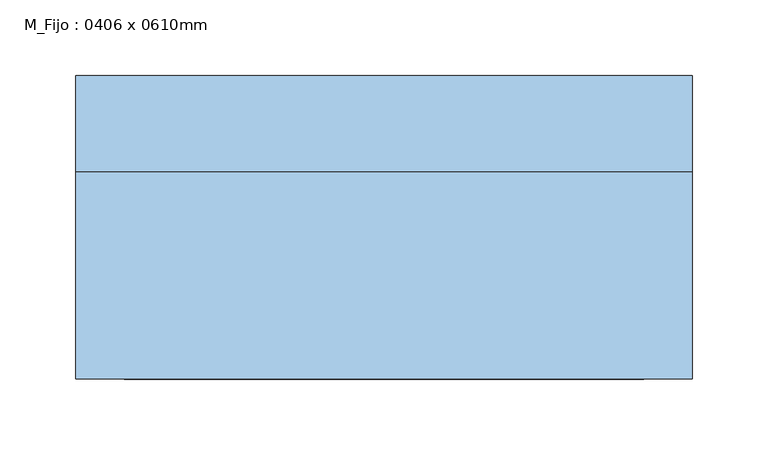
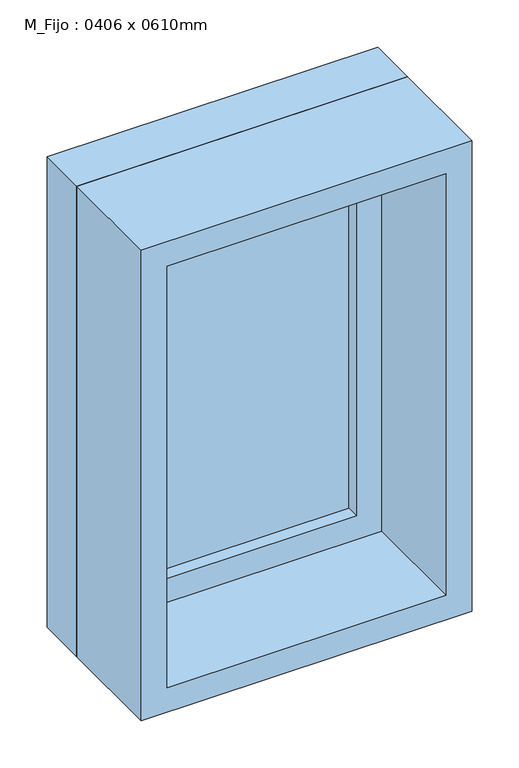
"""IFC4 building model written with IfcOpenShell, lengths in millimetres: window geometry, M_Fijo : 0406 x 0610mm."""

from ifc_helpers import new_model, si_unit, frame, origin, place, context, project, spatial, polyline, outline, extrude, source, transform, mapped, element, save


def m_fijo_0406_x_0610mm_8205b201(model_context):
    return source(origin(), model_context, "Body", "SweptSolid", [
        extrude(outline(polyline([(-140.0, 78.0), (140.0, 78.0), (140.0, 66.0), (-140.0, 66.0), (-140.0, 78.0)])), frame((0.0, 0.0, 978.0), z_axis=(0.0, 0.0, 1.0), x_axis=(1.0, 0.0, 0.0)), (0.0, 0.0, 1.0), 484.0),
        extrude(outline(polyline([(1506.0, -184.0), (934.0, -184.0), (934.0, 184.0), (1506.0, 184.0), (1506.0, -184.0)]), holes=[polyline([(1462.0, -140.0), (1462.0, 140.0), (978.0, 140.0), (978.0, -140.0), (1462.0, -140.0)])]), frame((0.0, 50.0, 0.0), z_axis=(0.0, 1.0, 0.0), x_axis=(0.0, 0.0, 1.0)), (0.0, 0.0, 1.0), 44.0),
        extrude(outline(polyline([(1525.0, -203.0), (915.0, -203.0), (915.0, 203.0), (1525.0, 203.0), (1525.0, -203.0)]), holes=[polyline([(1506.0, -184.0), (1506.0, 184.0), (934.0, 184.0), (934.0, -184.0), (1506.0, -184.0)])]), frame((0.0, 50.0, 0.0), z_axis=(0.0, 1.0, 0.0), x_axis=(0.0, 0.0, 1.0)), (0.0, 0.0, 1.0), 63.0),
        extrude(outline(polyline([(1525.0, -203.0), (915.0, -203.0), (915.0, 203.0), (1525.0, 203.0), (1525.0, -203.0)]), holes=[polyline([(1493.0, -171.0), (1493.0, 171.0), (947.0, 171.0), (947.0, -171.0), (1493.0, -171.0)])]), frame((0.0, -87.0, 0.0), z_axis=(0.0, 1.0, 0.0), x_axis=(0.0, 0.0, 1.0)), (0.0, 0.0, 1.0), 137.0),
    ])


if __name__ == "__main__":
    model = new_model("IFC4")
    model_context = context("Model", 3, world=origin())
    ifc_project = project(units=[si_unit("LENGTHUNIT", "METRE", prefix="MILLI")], contexts=[model_context])
    site = spatial("IfcSite", under=ifc_project)
    building = spatial("IfcBuilding", under=site)
    placement = place(None, origin())
    m_fijo_0406_x_0610mm_shape = m_fijo_0406_x_0610mm_8205b201(model_context)
    element("IfcWindow", 1, ObjectType="M_Fijo : 0406 x 0610mm", at=placement, inside=building, context=model_context, shape_type="MappedRepresentation", body=[
        mapped(m_fijo_0406_x_0610mm_shape, transform((0.0, 0.0, 0.0), x_axis=(1.0, 0.0, 0.0), y_axis=(0.0, 1.0, 0.0), z_axis=(0.0, 0.0, 1.0))),
    ])
    save(model, "model.ifc")
